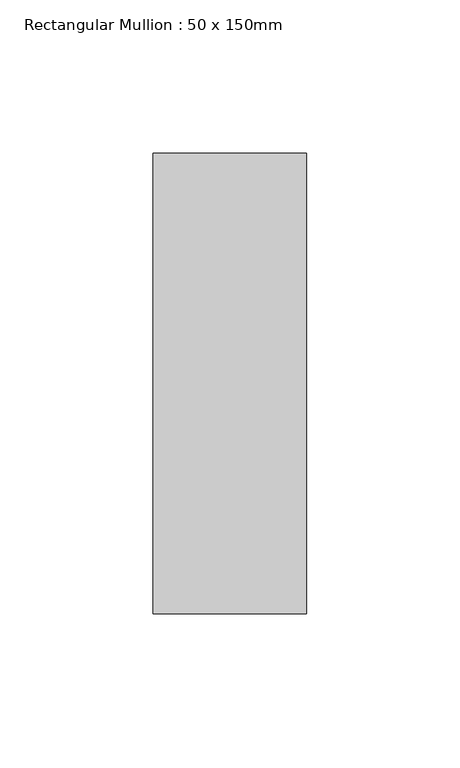
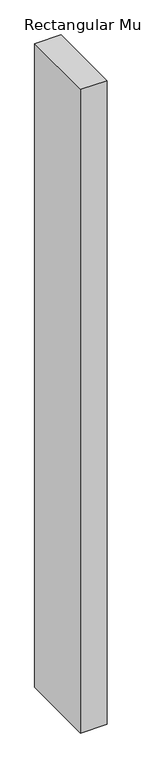
"""IFC4 building model written with IfcOpenShell, lengths in millimetres: member geometry, Rectangular Mullion : 50 x 150mm."""

from ifc_helpers import new_model, si_unit, frame, origin, place, context, project, spatial, polyline, outline, extrude, source, transform, mapped, element, save


def rectangular_mullion_50_x_150mm_752f6425(model_context):
    return source(origin(), model_context, "Body", "SweptSolid", [
        extrude(outline(polyline([(0.0, 75.0), (0.0, -75.0), (-50.0, -75.0), (-50.0, 75.0), (0.0, 75.0)])), frame((0.0, 0.0, -1283.3333332), z_axis=(0.0, 0.0, 1.0), x_axis=(1.0, 0.0, 0.0)), (0.0, 0.0, 1.0), 1283.3333332),
    ])


if __name__ == "__main__":
    model = new_model("IFC4")
    model_context = context("Model", 3, world=origin())
    ifc_project = project(units=[si_unit("LENGTHUNIT", "METRE", prefix="MILLI")], contexts=[model_context])
    site = spatial("IfcSite", under=ifc_project)
    building = spatial("IfcBuilding", under=site)
    placement = place(None, origin())
    rectangular_mullion_50_x_150mm_shape = rectangular_mullion_50_x_150mm_752f6425(model_context)
    element("IfcMember", 1, ObjectType="Rectangular Mullion : 50 x 150mm", at=placement, inside=building, context=model_context, shape_type="MappedRepresentation", body=[
        mapped(rectangular_mullion_50_x_150mm_shape, transform((0.0, 0.0, 0.0), x_axis=(1.0, 0.0, 0.0), y_axis=(0.0, 1.0, 0.0), z_axis=(0.0, 0.0, 1.0))),
    ])
    save(model, "model.ifc")
